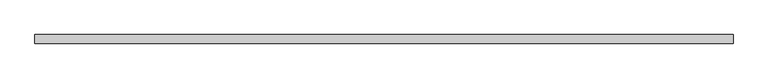
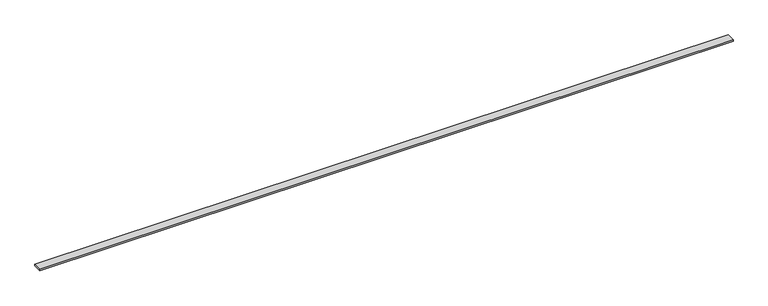
"""IFC4 building model written with IfcOpenShell, lengths in millimetres: beam geometry."""

from ifc_helpers import new_model, si_unit, frame, origin, place, context, project, spatial, polyline, outline, extrude, source, transform, mapped, element, save


def beam_883643b7(model_context):
    return source(origin(), model_context, "Body", "SweptSolid", [
        extrude(outline(polyline([(6050.0, 75.0), (6050.0, -75.0), (-6050.0, -75.0), (-6050.0, 75.0), (6050.0, 75.0)])), frame((0.0, 0.0, -12.5), z_axis=(0.0, 0.0, 1.0), x_axis=(1.0, 0.0, 0.0)), (0.0, 0.0, 1.0), 25.0),
    ])


if __name__ == "__main__":
    model = new_model("IFC4")
    model_context = context("Model", 3, world=origin())
    ifc_project = project(units=[si_unit("LENGTHUNIT", "METRE", prefix="MILLI")], contexts=[model_context])
    site = spatial("IfcSite", under=ifc_project)
    building = spatial("IfcBuilding", under=site)
    placement = place(None, origin())
    beam_shape = beam_883643b7(model_context)
    element("IfcBeam", 1, at=placement, inside=building, context=model_context, shape_type="MappedRepresentation", body=[
        mapped(beam_shape, transform((0.0, 0.0, 0.0), x_axis=(1.0, 0.0, 0.0), y_axis=(0.0, 1.0, 0.0), z_axis=(0.0, 0.0, 1.0))),
    ])
    save(model, "model.ifc")
